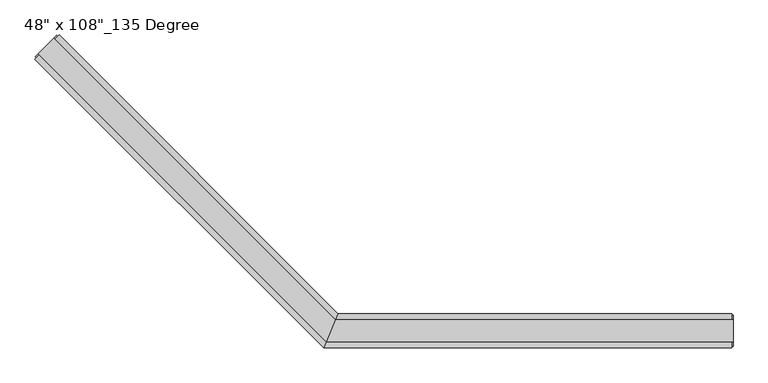
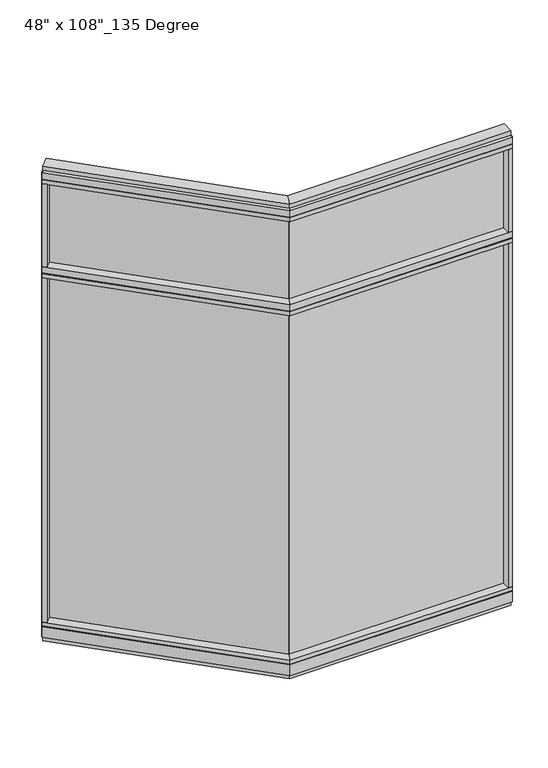
"""IFC4 building model written with IfcOpenShell, lengths in millimetres: furniture geometry."""

from ifc_helpers import new_model, si_unit, frame, origin, origin_with_axes, place, context, project, spatial, polyline, outline, extrude, faceted_brep, source, transform, mapped, element, save


def furniture_46733f93(model_context):
    return source(origin(), model_context, "Body", "SolidModel", [
        extrude(outline(polyline([(-1480.9128609, 820.6164604), (-1473.728656, 827.8006653), (-643.5937802, -2.3342105), (-650.7779851, -9.5184154), (-1480.9128609, 820.6164604)])), frame((0.0, 0.0, 2174.875), z_axis=(0.0, 0.0, 1.0), x_axis=(1.0, 0.0, 0.0)), (0.0, 0.0, 1.0), 457.2),
        extrude(outline(polyline([(-1480.9128609, 820.6164604), (-1473.728656, 827.8006653), (-643.5937802, -2.3342105), (-650.7779851, -9.5184154), (-1480.9128609, 820.6164604)])), frame((0.0, 0.0, 120.523), z_axis=(0.0, 0.0, 1.0), x_axis=(1.0, 0.0, 0.0)), (0.0, 0.0, 1.0), 2013.077),
        extrude(outline(polyline([(-1457.1151822, 875.8450356), (-627.552425, 46.2822784), (-669.6365229, -55.3177216), (-1528.9572312, 804.0029866), (-1457.1151822, 875.8450356)])), frame((0.0, 0.0, 2111.375), z_axis=(0.0, 0.0, 1.0), x_axis=(1.0, 0.0, 0.0)), (0.0, 0.0, 1.0), 22.225),
        faceted_brep([(-627.552425, 46.2822784, 2138.553), (-627.552425, 46.2822784, 2174.875), (-669.6365229, -55.3177216, 2174.875), (-669.6365229, -55.3177216, 2138.553), (-667.5849232, -50.3647216, 2138.553), (-667.5849232, -50.3647216, 2133.6), (-629.6040248, 41.3292784, 2133.6), (-629.6040248, 41.3292784, 2138.553), (-1457.1151822, 875.8450356, 2138.553), (-1460.6174821, 872.3427357, 2138.553), (-1460.6174821, 872.3427357, 2133.6), (-1525.4549313, 807.5052865, 2133.6), (-1525.4549313, 807.5052865, 2138.553), (-1528.9572312, 804.0029866, 2138.553), (-1528.9572312, 804.0029866, 2174.875), (-1457.1151822, 875.8450356, 2174.875)], [[[0, 1, 2, 3, 4, 5, 6, 7]], [[8, 9, 10, 11, 12, 13, 14, 15]], [[8, 0, 7, 9]], [[13, 3, 2, 14]], [[14, 2, 1, 15]], [[15, 1, 0, 8]], [[9, 7, 6, 10]], [[10, 6, 5, 11]], [[11, 5, 4, 12]], [[12, 4, 3, 13]]]),
        extrude(outline(polyline([(-1513.241783, 788.2875384), (-1528.9572312, 804.0029866), (-1457.1151822, 875.8450356), (-1441.399734, 860.1295874), (-1513.241783, 788.2875384)])), frame((0.0, 0.0, 2174.875), z_axis=(0.0, 0.0, 1.0), x_axis=(1.0, 0.0, 0.0)), (0.0, 0.0, 1.0), 479.425),
        extrude(outline(polyline([(-1457.1151822, 875.8450356), (-627.552425, 46.2822784), (-669.6365229, -55.3177216), (-1528.9572312, 804.0029866), (-1457.1151822, 875.8450356)])), frame((0.0, 0.0, 2654.3), z_axis=(0.0, 0.0, 1.0), x_axis=(1.0, 0.0, 0.0)), (0.0, 0.0, 1.0), 22.225),
        faceted_brep([(-627.552425, 46.2822784, 2681.478), (-627.552425, 46.2822784, 2717.8), (-669.6365229, -55.3177216, 2717.8), (-669.6365229, -55.3177216, 2681.478), (-667.5849232, -50.3647216, 2681.478), (-667.5849232, -50.3647216, 2676.525), (-629.6040248, 41.3292784, 2676.525), (-629.6040248, 41.3292784, 2681.478), (-1457.1151822, 875.8450356, 2681.478), (-1460.6174821, 872.3427357, 2681.478), (-1460.6174821, 872.3427357, 2676.525), (-1525.4549313, 807.5052865, 2676.525), (-1525.4549313, 807.5052865, 2681.478), (-1528.9572312, 804.0029866, 2681.478), (-1528.9572312, 804.0029866, 2717.8), (-1457.1151822, 875.8450356, 2717.8)], [[[0, 1, 2, 3, 4, 5, 6, 7]], [[8, 9, 10, 11, 12, 13, 14, 15]], [[8, 0, 7, 9]], [[13, 3, 2, 14]], [[14, 2, 1, 15]], [[15, 1, 0, 8]], [[9, 7, 6, 10]], [[10, 6, 5, 11]], [[11, 5, 4, 12]], [[12, 4, 3, 13]]]),
        extrude(outline(polyline([(-1472.8306304, 865.6973461), (-635.1275626, 27.9942784), (-662.0613853, -37.0297216), (-1518.8095417, 819.7184348), (-1472.8306304, 865.6973461)])), frame((0.0, 0.0, 2717.8), z_axis=(0.0, 0.0, 1.0), x_axis=(1.0, 0.0, 0.0)), (0.0, 0.0, 1.0), 25.4),
        faceted_brep([(-629.6040248, 41.3292784, 93.345), (-629.6040248, 41.3292784, 98.298), (-667.5849232, -50.3647216, 98.298), (-667.5849232, -50.3647216, 93.345), (-669.6365229, -55.3177216, 93.345), (-669.6365229, -55.3177216, 31.75), (-627.552425, 46.2822784, 31.75), (-627.552425, 46.2822784, 93.345), (-1457.1151822, 875.8450356, 93.345), (-1457.1151822, 875.8450356, 31.75), (-1528.9572312, 804.0029866, 31.75), (-1528.9572312, 804.0029866, 93.345), (-1525.4549313, 807.5052865, 93.345), (-1525.4549313, 807.5052865, 98.298), (-1460.6174821, 872.3427357, 98.298), (-1460.6174821, 872.3427357, 93.345)], [[[0, 1, 2, 3, 4, 5, 6, 7]], [[8, 9, 10, 11, 12, 13, 14, 15]], [[15, 0, 7, 8]], [[10, 5, 4, 11]], [[9, 6, 5, 10]], [[8, 7, 6, 9]], [[14, 1, 0, 15]], [[13, 2, 1, 14]], [[12, 3, 2, 13]], [[11, 4, 3, 12]]]),
        extrude(outline(polyline([(-1457.1151822, 875.8450356), (-627.552425, 46.2822784), (-669.6365229, -55.3177216), (-1528.9572312, 804.0029866), (-1457.1151822, 875.8450356)])), frame((0.0, 0.0, 98.298), z_axis=(0.0, 0.0, 1.0), x_axis=(1.0, 0.0, 0.0)), (0.0, 0.0, 1.0), 22.225),
        extrude(outline(polyline([(-1472.8306304, 865.6973461), (-635.1275626, 27.9942784), (-662.0613853, -37.0297216), (-1518.8095417, 819.7184348), (-1472.8306304, 865.6973461)])), origin_with_axes(), (0.0, 0.0, 1.0), 31.75),
        extrude(outline(polyline([(-1513.241783, 788.2875384), (-1528.9572312, 804.0029866), (-1457.1151822, 875.8450356), (-1441.399734, 860.1295874), (-1513.241783, 788.2875384)])), frame((0.0, 0.0, 120.523), z_axis=(0.0, 0.0, 1.0), x_axis=(1.0, 0.0, 0.0)), (0.0, 0.0, 1.0), 1990.852),
        extrude(outline(polyline([(-1528.2388107, 810.2891659), (-1463.4013615, 875.1266151), (-1460.6174821, 872.3427357), (-1525.4549313, 807.5052865), (-1528.2388107, 810.2891659)])), frame((0.0, 0.0, 31.75), z_axis=(0.0, 0.0, 1.0), x_axis=(1.0, 0.0, 0.0)), (0.0, 0.0, 1.0), 2686.05),
        extrude(outline(polyline([(523.4014771, -9.5977216), (-650.5865229, -9.5977216), (-650.5865229, 0.5622784), (523.4014771, 0.5622784), (523.4014771, -9.5977216)])), frame((0.0, 0.0, 2174.875), z_axis=(0.0, 0.0, 1.0), x_axis=(1.0, 0.0, 0.0)), (0.0, 0.0, 1.0), 457.2),
        extrude(outline(polyline([(523.4014771, -9.5977216), (-650.5865229, -9.5977216), (-650.5865229, 0.5622784), (523.4014771, 0.5622784), (523.4014771, -9.5977216)])), frame((0.0, 0.0, 120.523), z_axis=(0.0, 0.0, 1.0), x_axis=(1.0, 0.0, 0.0)), (0.0, 0.0, 1.0), 2013.077),
        extrude(outline(polyline([(545.6264771, 46.2822784), (545.6264771, -55.3177216), (-669.6365229, -55.3177216), (-627.552425, 46.2822784), (545.6264771, 46.2822784)])), frame((0.0, 0.0, 2111.375), z_axis=(0.0, 0.0, 1.0), x_axis=(1.0, 0.0, 0.0)), (0.0, 0.0, 1.0), 22.225),
        faceted_brep([(-627.552425, 46.2822784, 2138.553), (-629.6040248, 41.3292784, 2138.553), (-629.6040248, 41.3292784, 2133.6), (-667.5849232, -50.3647216, 2133.6), (-667.5849232, -50.3647216, 2138.553), (-669.6365229, -55.3177216, 2138.553), (-669.6365229, -55.3177216, 2174.875), (-627.552425, 46.2822784, 2174.875), (545.6264771, 46.2822784, 2138.553), (545.6264771, 46.2822784, 2174.875), (545.6264771, -55.3177216, 2174.875), (545.6264771, -55.3177216, 2138.553), (545.6264771, -50.3647216, 2138.553), (545.6264771, -50.3647216, 2133.6), (545.6264771, 41.3292784, 2133.6), (545.6264771, 41.3292784, 2138.553)], [[[0, 1, 2, 3, 4, 5, 6, 7]], [[8, 9, 10, 11, 12, 13, 14, 15]], [[8, 15, 1, 0]], [[11, 10, 6, 5]], [[10, 9, 7, 6]], [[9, 8, 0, 7]], [[15, 14, 2, 1]], [[14, 13, 3, 2]], [[13, 12, 4, 3]], [[12, 11, 5, 4]]]),
        extrude(outline(polyline([(523.4014771, -55.3177216), (523.4014771, 46.2822784), (545.6264771, 46.2822784), (545.6264771, -55.3177216), (523.4014771, -55.3177216)])), frame((0.0, 0.0, 2174.875), z_axis=(0.0, 0.0, 1.0), x_axis=(1.0, 0.0, 0.0)), (0.0, 0.0, 1.0), 479.425),
        extrude(outline(polyline([(545.6264771, 46.2822784), (545.6264771, -55.3177216), (-669.6365229, -55.3177216), (-627.552425, 46.2822784), (545.6264771, 46.2822784)])), frame((0.0, 0.0, 2654.3), z_axis=(0.0, 0.0, 1.0), x_axis=(1.0, 0.0, 0.0)), (0.0, 0.0, 1.0), 22.225),
        faceted_brep([(-627.552425, 46.2822784, 2681.478), (-629.6040248, 41.3292784, 2681.478), (-629.6040248, 41.3292784, 2676.525), (-667.5849232, -50.3647216, 2676.525), (-667.5849232, -50.3647216, 2681.478), (-669.6365229, -55.3177216, 2681.478), (-669.6365229, -55.3177216, 2717.8), (-627.552425, 46.2822784, 2717.8), (545.6264771, 46.2822784, 2681.478), (545.6264771, 46.2822784, 2717.8), (545.6264771, -55.3177216, 2717.8), (545.6264771, -55.3177216, 2681.478), (545.6264771, -50.3647216, 2681.478), (545.6264771, -50.3647216, 2676.525), (545.6264771, 41.3292784, 2676.525), (545.6264771, 41.3292784, 2681.478)], [[[0, 1, 2, 3, 4, 5, 6, 7]], [[8, 9, 10, 11, 12, 13, 14, 15]], [[8, 15, 1, 0]], [[11, 10, 6, 5]], [[10, 9, 7, 6]], [[9, 8, 0, 7]], [[15, 14, 2, 1]], [[14, 13, 3, 2]], [[13, 12, 4, 3]], [[12, 11, 5, 4]]]),
        extrude(outline(polyline([(549.5634771, 27.9942784), (549.5634771, -37.0297216), (-662.0613853, -37.0297216), (-635.1275626, 27.9942784), (549.5634771, 27.9942784)])), frame((0.0, 0.0, 2717.8), z_axis=(0.0, 0.0, 1.0), x_axis=(1.0, 0.0, 0.0)), (0.0, 0.0, 1.0), 25.4),
        faceted_brep([(-629.6040248, 41.3292784, 93.345), (-627.552425, 46.2822784, 93.345), (-627.552425, 46.2822784, 31.75), (-669.6365229, -55.3177216, 31.75), (-669.6365229, -55.3177216, 93.345), (-667.5849232, -50.3647216, 93.345), (-667.5849232, -50.3647216, 98.298), (-629.6040248, 41.3292784, 98.298), (545.6264771, 46.2822784, 93.345), (545.6264771, 41.3292784, 93.345), (545.6264771, 41.3292784, 98.298), (545.6264771, -50.3647216, 98.298), (545.6264771, -50.3647216, 93.345), (545.6264771, -55.3177216, 93.345), (545.6264771, -55.3177216, 31.75), (545.6264771, 46.2822784, 31.75)], [[[0, 1, 2, 3, 4, 5, 6, 7]], [[8, 9, 10, 11, 12, 13, 14, 15]], [[9, 8, 1, 0]], [[14, 13, 4, 3]], [[15, 14, 3, 2]], [[8, 15, 2, 1]], [[10, 9, 0, 7]], [[11, 10, 7, 6]], [[12, 11, 6, 5]], [[13, 12, 5, 4]]]),
        extrude(outline(polyline([(545.6264771, 46.2822784), (545.6264771, -55.3177216), (-669.6365229, -55.3177216), (-627.552425, 46.2822784), (545.6264771, 46.2822784)])), frame((0.0, 0.0, 98.298), z_axis=(0.0, 0.0, 1.0), x_axis=(1.0, 0.0, 0.0)), (0.0, 0.0, 1.0), 22.225),
        extrude(outline(polyline([(549.5634771, 27.9942784), (549.5634771, -37.0297216), (-662.0613853, -37.0297216), (-635.1275626, 27.9942784), (549.5634771, 27.9942784)])), origin_with_axes(), (0.0, 0.0, 1.0), 31.75),
        extrude(outline(polyline([(523.4014771, -55.3177216), (523.4014771, 46.2822784), (545.6264771, 46.2822784), (545.6264771, -55.3177216), (523.4014771, -55.3177216)])), frame((0.0, 0.0, 120.523), z_axis=(0.0, 0.0, 1.0), x_axis=(1.0, 0.0, 0.0)), (0.0, 0.0, 1.0), 1990.852),
        extrude(outline(polyline([(549.5634771, -50.3647216), (545.6264771, -50.3647216), (545.6264771, 41.3292784), (549.5634771, 41.3292784), (549.5634771, -50.3647216)])), frame((0.0, 0.0, 31.75), z_axis=(0.0, 0.0, 1.0), x_axis=(1.0, 0.0, 0.0)), (0.0, 0.0, 1.0), 2686.05),
    ])


if __name__ == "__main__":
    model = new_model("IFC4")
    model_context = context("Model", 3, world=origin())
    ifc_project = project(units=[si_unit("LENGTHUNIT", "METRE", prefix="MILLI")], contexts=[model_context])
    site = spatial("IfcSite", under=ifc_project)
    building = spatial("IfcBuilding", under=site)
    placement = place(None, origin())
    furniture_shape = furniture_46733f93(model_context)
    element("IfcFurniture", 1, ObjectType="48\" x 108\"_135 Degree", at=placement, inside=building, context=model_context, shape_type="MappedRepresentation", body=[
        mapped(furniture_shape, transform((0.0, 0.0, 0.0), x_axis=(1.0, 0.0, 0.0), y_axis=(0.0, 1.0, 0.0), z_axis=(0.0, 0.0, 1.0))),
    ])
    save(model, "model.ifc")
